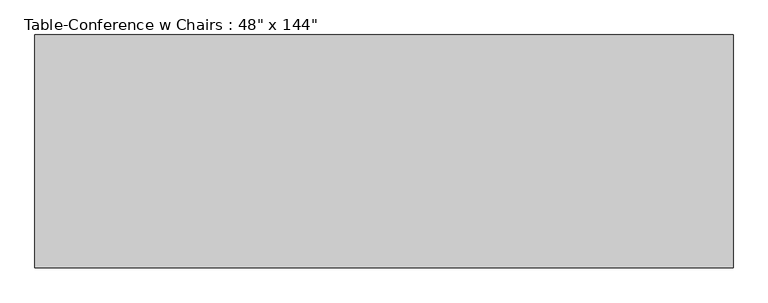
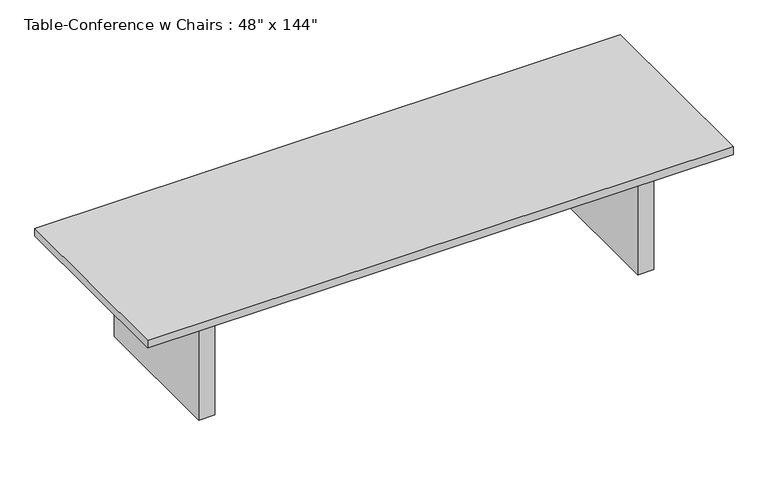
"""IFC4 building model written with IfcOpenShell, lengths in millimetres: furniture geometry."""

from ifc_helpers import new_model, si_unit, frame, origin, origin_with_axes, place, context, project, spatial, polyline, outline, extrude, source, transform, mapped, element, save


def furniture_c7b71607(model_context):
    return source(origin(), model_context, "Body", "SweptSolid", [
        extrude(outline(polyline([(1320.8, 457.2), (1320.8, 419.1), (-1320.8, 419.1), (-1320.8, 457.2), (1320.8, 457.2)])), frame((0.0, 0.0, 609.6), z_axis=(0.0, 0.0, 1.0), x_axis=(1.0, 0.0, 0.0)), (0.0, 0.0, 1.0), 101.6),
        extrude(outline(polyline([(1320.8, -457.2), (-1320.8, -457.2), (-1320.8, -419.1), (1320.8, -419.1), (1320.8, -457.2)])), frame((0.0, 0.0, 609.6), z_axis=(0.0, 0.0, 1.0), x_axis=(1.0, 0.0, 0.0)), (0.0, 0.0, 1.0), 101.6),
        extrude(outline(polyline([(-1320.8, -457.2), (-1422.4, -457.2), (-1422.4, 457.2), (-1320.8, 457.2), (-1320.8, -457.2)])), origin_with_axes(), (0.0, 0.0, 1.0), 711.2),
        extrude(outline(polyline([(1422.4, -457.2), (1320.8, -457.2), (1320.8, 457.2), (1422.4, 457.2), (1422.4, -457.2)])), origin_with_axes(), (0.0, 0.0, 1.0), 711.2),
        extrude(outline(polyline([(1828.8, -609.6), (-1828.8, -609.6), (-1828.8, 609.6), (1828.8, 609.6), (1828.8, -609.6)])), frame((0.0, 0.0, 711.2), z_axis=(0.0, 0.0, 1.0), x_axis=(1.0, 0.0, 0.0)), (0.0, 0.0, 1.0), 50.8),
    ])


if __name__ == "__main__":
    model = new_model("IFC4")
    model_context = context("Model", 3, world=origin())
    ifc_project = project(units=[si_unit("LENGTHUNIT", "METRE", prefix="MILLI")], contexts=[model_context])
    site = spatial("IfcSite", under=ifc_project)
    building = spatial("IfcBuilding", under=site)
    placement = place(None, origin())
    furniture_shape = furniture_c7b71607(model_context)
    element("IfcFurniture", 1, ObjectType="Table-Conference w Chairs : 48\" x 144\"", at=placement, inside=building, context=model_context, shape_type="MappedRepresentation", body=[
        mapped(furniture_shape, transform((0.0, 0.0, 0.0), x_axis=(1.0, 0.0, 0.0), y_axis=(0.0, 1.0, 0.0), z_axis=(0.0, 0.0, 1.0))),
    ])
    save(model, "model.ifc")
